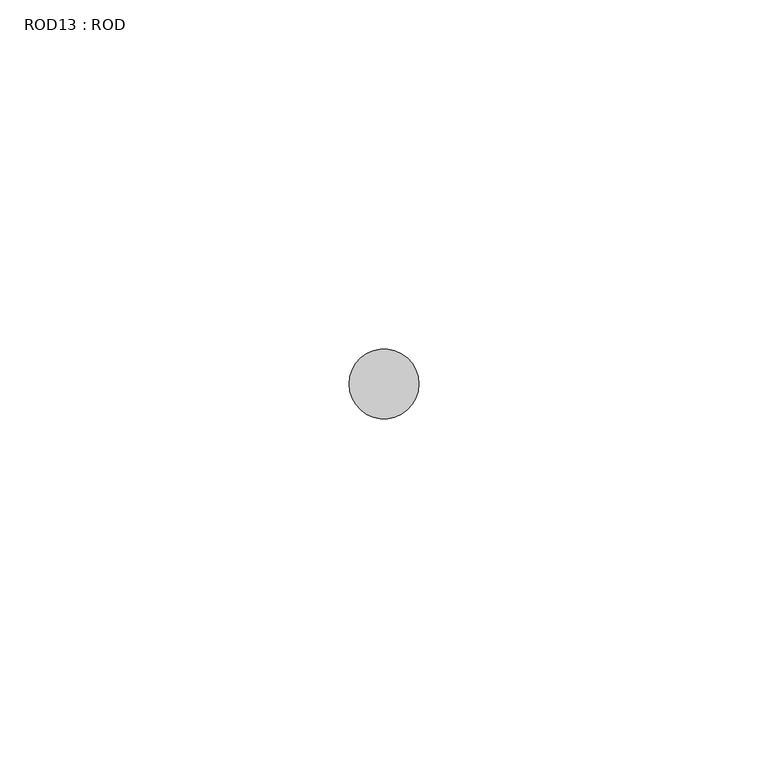
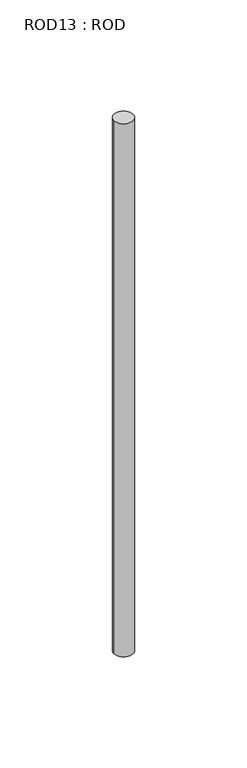
"""IFC4 building model written with IfcOpenShell, lengths in millimetres: proxy geometry, ROD13 : ROD."""

from ifc_helpers import new_model, si_unit, point, frame, frame_2d, origin, place, context, project, spatial, circle_curve, trimmed, segment, composite_curve, outline, extrude, source, transform, mapped, element, save


def rod13_rod_ef770bf7(model_context):
    return source(origin(), model_context, "Body", "SweptSolid", [
        extrude(outline(composite_curve([segment(trimmed(circle_curve(frame_2d((-8520.2326676, -1114.6300853)), 5.0), [point((-8525.2326676, -1114.6300853))], [point((-8515.2326676, -1114.6300853))], False, "CARTESIAN"), True, "CONTINUOUS"), segment(trimmed(circle_curve(frame_2d((-8520.2326676, -1114.6300853)), 5.0), [point((-8515.2326676, -1114.6300853))], [point((-8525.2326676, -1114.6300853))], False, "CARTESIAN"), True, "CONTINUOUS")], self_intersect=False)), frame((0.0, 0.0, -208.6608845), z_axis=(0.0, 0.0, 1.0), x_axis=(1.0, 0.0, 0.0)), (0.0, 0.0, 1.0), 298.9028972),
    ])


if __name__ == "__main__":
    model = new_model("IFC4")
    model_context = context("Model", 3, world=origin())
    ifc_project = project(units=[si_unit("LENGTHUNIT", "METRE", prefix="MILLI")], contexts=[model_context])
    site = spatial("IfcSite", under=ifc_project)
    building = spatial("IfcBuilding", under=site)
    placement = place(None, origin())
    rod13_rod_shape = rod13_rod_ef770bf7(model_context)
    element("IfcBuildingElementProxy", 1, Name="ROD13 : ROD", ObjectType="ROD13 : ROD", at=placement, inside=building, context=model_context, shape_type="MappedRepresentation", body=[
        mapped(rod13_rod_shape, transform((0.0, 0.0, 0.0), x_axis=(1.0, 0.0, 0.0), y_axis=(0.0, 1.0, 0.0), z_axis=(0.0, 0.0, 1.0))),
    ])
    save(model, "model.ifc")
